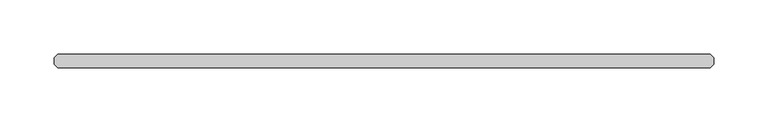
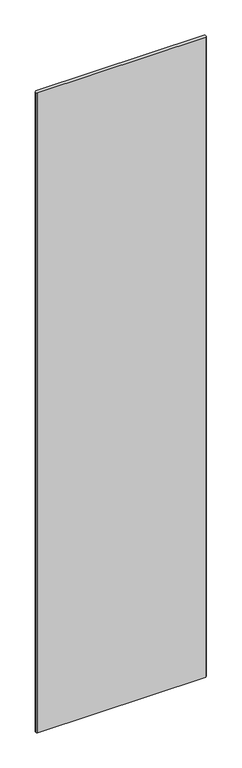
"""IFC4 building model written with IfcOpenShell, lengths in millimetres: plate geometry."""

from ifc_helpers import new_model, si_unit, origin, origin_with_axes, place, context, project, spatial, polyline, outline, extrude, source, transform, mapped, element, save


def plate_6c717584(model_context):
    return source(origin(), model_context, "Body", "SweptSolid", [
        extrude(outline(polyline([(301.228125, -6.35), (-301.228125, -6.35), (-304.403125, -3.175), (-304.403125, 3.175), (-301.228125, 6.35), (301.228125, 6.35), (304.403125, 3.175), (304.403125, -3.175), (301.228125, -6.35)])), origin_with_axes(), (0.0, 0.0, 1.0), 2427.1914267),
    ])


if __name__ == "__main__":
    model = new_model("IFC4")
    model_context = context("Model", 3, world=origin())
    ifc_project = project(units=[si_unit("LENGTHUNIT", "METRE", prefix="MILLI")], contexts=[model_context])
    site = spatial("IfcSite", under=ifc_project)
    building = spatial("IfcBuilding", under=site)
    placement = place(None, origin())
    plate_shape = plate_6c717584(model_context)
    element("IfcPlate", 1, at=placement, inside=building, context=model_context, shape_type="MappedRepresentation", body=[
        mapped(plate_shape, transform((0.0, 0.0, 0.0), x_axis=(1.0, 0.0, 0.0), y_axis=(0.0, 1.0, 0.0), z_axis=(0.0, 0.0, 1.0))),
    ])
    save(model, "model.ifc")
